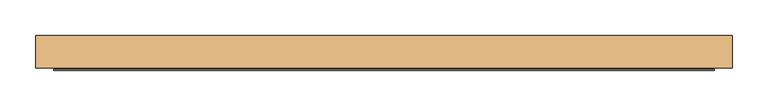
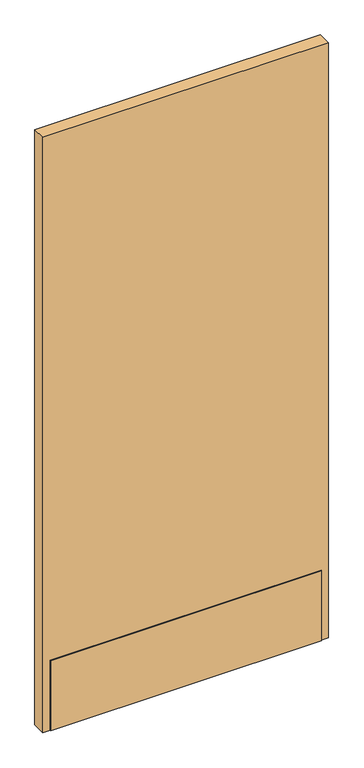
"""IFC4 building model written with IfcOpenShell, lengths in millimetres: door geometry."""

from ifc_helpers import new_model, si_unit, frame, origin, place, context, project, spatial, polyline, outline, extrude, source, transform, mapped, element, save


def door_839f134d(model_context):
    return source(origin(), model_context, "Body", "SweptSolid", [
        extrude(outline(polyline([(490.4564326, 23.114), (490.4564326, -23.114), (-490.4564326, -23.114), (-490.4564326, 23.114), (490.4564326, 23.114)])), frame((0.0, 0.0, 12.7), z_axis=(0.0, 0.0, 1.0), x_axis=(1.0, 0.0, 0.0)), (0.0, 0.0, 1.0), 2157.4635027),
        extrude(outline(polyline([(465.0564326, -9.8925062), (465.0564326, -11.4927062), (-465.0564326, -11.4927062), (-465.0564326, -9.8925062), (465.0564326, -9.8925062)])), frame((0.0, 0.0, 12.7), z_axis=(0.0, 0.0, 1.0), x_axis=(1.0, 0.0, 0.0)), (0.0, 0.0, 1.0), 254.0),
        extrude(outline(polyline([(465.0564326, -24.6888), (465.0564326, -26.289), (-465.0564326, -26.289), (-465.0564326, -24.6888), (465.0564326, -24.6888)])), frame((0.0, 0.0, 12.7), z_axis=(0.0, 0.0, 1.0), x_axis=(1.0, 0.0, 0.0)), (0.0, 0.0, 1.0), 254.0),
    ])


if __name__ == "__main__":
    model = new_model("IFC4")
    model_context = context("Model", 3, world=origin())
    ifc_project = project(units=[si_unit("LENGTHUNIT", "METRE", prefix="MILLI")], contexts=[model_context])
    site = spatial("IfcSite", under=ifc_project)
    building = spatial("IfcBuilding", under=site)
    placement = place(None, origin())
    door_shape = door_839f134d(model_context)
    element("IfcDoor", 1, at=placement, inside=building, context=model_context, shape_type="MappedRepresentation", body=[
        mapped(door_shape, transform((0.0, 0.0, 0.0), x_axis=(1.0, 0.0, 0.0), y_axis=(0.0, 1.0, 0.0), z_axis=(0.0, 0.0, 1.0))),
    ])
    save(model, "model.ifc")
